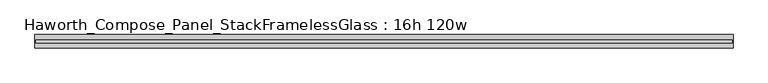
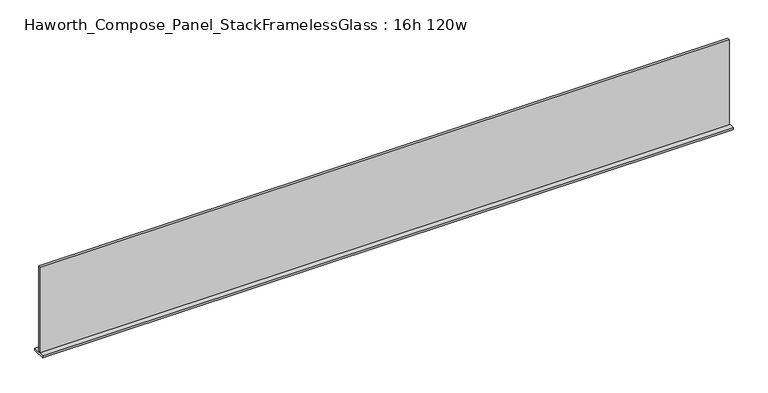
"""IFC4 building model written with IfcOpenShell, lengths in millimetres: furniture geometry, Haworth_Compose_Panel_StackFramelessGlass : 16h 120w."""

import ifcopenshell
import ifcopenshell.guid

model = None  # the IFC model being written
_history = None  # IfcOwnerHistory: only IFC2X3 demands one
_inside = {}  # id of a spatial element -> (the spatial element, [elements in it])
_under = {}  # id of a project, library or spatial element -> (it, [spatial elements below it])
_declared = {}  # id of a project -> (the project, [libraries it declares])
_typed = {}  # id of a type object -> (the type object, [elements of that type])
_made_of = {}  # id of a material, layer set ... -> (it, [elements and type objects made of it])


def new_model(schema):
    """Start an empty IFC model of exactly this schema.

    Asked for "IFC4X3", IfcOpenShell would pick the latest addendum, in which some entities
    have other attributes; the version numbers below select the first issue.
    IFC2X3 requires an IfcOwnerHistory on every rooted entity: one is made here for all.
    """
    global model, _history
    if schema == "IFC4X3":
        model = ifcopenshell.file(schema_version=(4, 3, 0, 0))
    else:
        model = ifcopenshell.file(schema=schema)
    _inside.clear()
    _under.clear()
    _declared.clear()
    _typed.clear()
    _made_of.clear()
    _history = None
    if model.schema == "IFC2X3":
        org = make("IfcOrganization", Name="unknown")
        user = make(
            "IfcPersonAndOrganization",
            ThePerson=make("IfcPerson", FamilyName="unknown"),
            TheOrganization=org,
        )
        app = make(
            "IfcApplication",
            ApplicationDeveloper=org,
            Version="unknown",
            ApplicationFullName="unknown",
            ApplicationIdentifier="unknown",
        )
        _history = make(
            "IfcOwnerHistory",
            OwningUser=user,
            OwningApplication=app,
            ChangeAction="ADDED",
            CreationDate=0,
        )
    return model


def make(cls, **values):
    """One entity of the class cls with the attributes given. An attribute that is None is left unset."""
    return model.create_entity(
        cls, **{name: value for name, value in values.items() if value is not None}
    )


def rooted(cls, **values):
    """An entity with a GlobalId (a new one), such as an element, a storey or a relation."""
    return make(cls, GlobalId=ifcopenshell.guid.new(), OwnerHistory=_history, **values)


def si_unit(unit_type, name, prefix=None):
    """IfcSIUnit, for example si_unit("LENGTHUNIT", "METRE", prefix="MILLI")."""
    return make("IfcSIUnit", UnitType=unit_type, Prefix=prefix, Name=name)


def assignment(units):
    """IfcUnitAssignment: the units of a project."""
    return None if units is None else make("IfcUnitAssignment", Units=units)


def point(xyz):
    """IfcCartesianPoint."""
    return None if xyz is None else make("IfcCartesianPoint", Coordinates=xyz)


def direction(xyz):
    """IfcDirection."""
    return None if xyz is None else make("IfcDirection", DirectionRatios=xyz)


def frame(location, z_axis=None, x_axis=None):
    """IfcAxis2Placement3D, a coordinate frame: its origin and axes. An axis left out is left unset."""
    return make(
        "IfcAxis2Placement3D",
        Location=point(location),
        Axis=direction(z_axis),
        RefDirection=direction(x_axis),
    )


def origin():
    """The frame at (0, 0, 0) with its axes left unset."""
    return frame((0.0, 0.0, 0.0))


def place(relative_to, where):
    """IfcLocalPlacement: puts the frame where relative to a parent placement (None: the world)."""
    return make(
        "IfcLocalPlacement", PlacementRelTo=relative_to, RelativePlacement=where
    )


def context(
    kind, dimensions, precision=None, world=None, true_north=None, identifier=None
):
    """IfcGeometricRepresentationContext, for example the 3D "Model" context."""
    return make(
        "IfcGeometricRepresentationContext",
        ContextIdentifier=identifier,
        ContextType=kind,
        CoordinateSpaceDimension=dimensions,
        Precision=precision,
        WorldCoordinateSystem=world,
        TrueNorth=true_north,
    )


def project(units=None, contexts=None):
    """IfcProject with its units and contexts."""
    return rooted(
        "IfcProject",
        Name="project",
        RepresentationContexts=contexts,
        UnitsInContext=assignment(units),
    )


def spatial(cls, under=None, at=None, **own):
    """A site, building, storey or space (cls), placed at a placement, below another one or the project."""
    s = rooted(cls, ObjectPlacement=at, **own)
    if under is not None:
        _under.setdefault(under.id(), (under, []))[1].append(s)
    return s


def polyline(points):
    """IfcPolyline through the points."""
    return make("IfcPolyline", Points=[point(p) for p in points])


def outline(outer, holes=None, kind="AREA"):
    """IfcArbitraryClosedProfileDef: a profile drawn as a closed curve; with holes, ...WithVoids."""
    if holes is None:
        return make("IfcArbitraryClosedProfileDef", ProfileType=kind, OuterCurve=outer)
    return make(
        "IfcArbitraryProfileDefWithVoids",
        ProfileType=kind,
        OuterCurve=outer,
        InnerCurves=holes,
    )


def extrude(swept, where, along, depth):
    """IfcExtrudedAreaSolid: the profile swept, set in the frame where, extruded along a direction by depth."""
    return make(
        "IfcExtrudedAreaSolid",
        SweptArea=swept,
        Position=where,
        ExtrudedDirection=direction(along),
        Depth=depth,
    )


def shape(context_of_items, identifier, shape_type, items):
    """IfcShapeRepresentation: the items that make up one representation, for example the "Body"."""
    return make(
        "IfcShapeRepresentation",
        ContextOfItems=context_of_items,
        RepresentationIdentifier=identifier,
        RepresentationType=shape_type,
        Items=items,
    )


def source(mapping_origin, context_of_items, identifier, shape_type, items):
    """IfcRepresentationMap: a shape defined once, which mapped items show again and again."""
    return make(
        "IfcRepresentationMap",
        MappingOrigin=mapping_origin,
        MappedRepresentation=shape(context_of_items, identifier, shape_type, items),
    )


def transform(
    local_origin,
    x_axis=None,
    y_axis=None,
    z_axis=None,
    scale=None,
    scale2=None,
    scale3=None,
    uniform=True,
):
    """IfcCartesianTransformationOperator3D, or its non-uniform kind. x_axis, y_axis, z_axis: its Axis1, 2, 3."""
    if uniform:
        return make(
            "IfcCartesianTransformationOperator3D",
            Axis1=direction(x_axis),
            Axis2=direction(y_axis),
            LocalOrigin=point(local_origin),
            Scale=scale,
            Axis3=direction(z_axis),
        )
    return make(
        "IfcCartesianTransformationOperator3DnonUniform",
        Axis1=direction(x_axis),
        Axis2=direction(y_axis),
        LocalOrigin=point(local_origin),
        Scale=scale,
        Axis3=direction(z_axis),
        Scale2=scale2,
        Scale3=scale3,
    )


def mapped(mapping_source, mapping_target):
    """IfcMappedItem: shows the shape of a source again, moved by a transform."""
    return make(
        "IfcMappedItem", MappingSource=mapping_source, MappingTarget=mapping_target
    )


def made_of(thing, what):
    """Note that an element or type object is made of a material, layer set ...; save() writes the relation."""
    if what is not None:
        _made_of.setdefault(what.id(), (what, []))[1].append(thing)
    return thing


def element(
    cls,
    number,
    at=None,
    inside=None,
    cuts=None,
    type_object=None,
    material=None,
    context=None,
    identifier="Body",
    shape_type=None,
    held_by="IfcProductDefinitionShape",
    body=None,
    shapes=None,
    **own,
):
    """One element of the class cls, such as IfcWall. Its Tag is "e" and its number.

    at: its placement. inside: the storey or other place that contains it. cuts: it is an
    opening in that element (IfcRelVoidsElement). A single representation is given by context,
    identifier, shape_type and body (its items); several are given by shapes. held_by: the class
    of the entity that holds the representations. save() writes the other relations.
    """
    e = rooted(cls, Tag="e%d" % number, ObjectPlacement=at, **own)
    if body is not None:
        shapes = [shape(context, identifier, shape_type, body)]
    if shapes is not None:
        e.Representation = make(held_by, Representations=shapes)
    if inside is not None:
        _inside.setdefault(inside.id(), (inside, []))[1].append(e)
    if cuts is not None:
        rooted(
            "IfcRelVoidsElement", RelatingBuildingElement=cuts, RelatedOpeningElement=e
        )
    if type_object is not None:
        _typed.setdefault(type_object.id(), (type_object, []))[1].append(e)
    return made_of(e, material)


def aggregate(whole, parts):
    """IfcRelAggregates: a whole, such as a stair, and the parts it consists of."""
    return rooted("IfcRelAggregates", RelatingObject=whole, RelatedObjects=parts)


def save(model, path):
    """Write the relations noted so far, then the file.

    IfcRelAggregates (storeys below a building ...), IfcRelContainedInSpatialStructure (elements
    in a storey), IfcRelDefinesByType, IfcRelAssociatesMaterial and IfcRelDeclares: one each for
    every whole, place, type object, material and project.
    """
    for whole, parts in _under.values():
        aggregate(whole, parts)
    for where, things in _inside.values():
        rooted(
            "IfcRelContainedInSpatialStructure",
            RelatedElements=things,
            RelatingStructure=where,
        )
    for kind, things in _typed.values():
        rooted("IfcRelDefinesByType", RelatedObjects=things, RelatingType=kind)
    for what, things in _made_of.values():
        rooted("IfcRelAssociatesMaterial", RelatedObjects=things, RelatingMaterial=what)
    for by, libraries in _declared.values():
        rooted("IfcRelDeclares", RelatingContext=by, RelatedDefinitions=libraries)
    model.write(path)


def haworth_compose_panel_stackframelessglass_16h_120w_72135e4e(model_context):
    return source(origin(), model_context, "Body", "SweptSolid", [
        extrude(outline(polyline([(1523.2652902, -27.3093594), (-1518.3847098, -27.3093594), (-1518.3847098, -14.6093594), (1523.2652902, -14.6093594), (1523.2652902, -27.3093594)])), frame((0.0, 0.0, 1279.525), z_axis=(0.0, 0.0, 1.0), x_axis=(1.0, 0.0, 0.0)), (0.0, 0.0, 1.0), 396.875),
        extrude(outline(polyline([(-1521.5597098, -50.3281094), (-1521.5597098, 8.4093906), (1526.4402902, 8.4093906), (1526.4402902, -50.3281094), (-1521.5597098, -50.3281094)])), frame((0.0, 0.0, 1270.0), z_axis=(0.0, 0.0, 1.0), x_axis=(1.0, 0.0, 0.0)), (0.0, 0.0, 1.0), 9.525),
    ])


if __name__ == "__main__":
    model = new_model("IFC4")
    model_context = context("Model", 3, world=origin())
    ifc_project = project(units=[si_unit("LENGTHUNIT", "METRE", prefix="MILLI")], contexts=[model_context])
    site = spatial("IfcSite", under=ifc_project)
    building = spatial("IfcBuilding", under=site)
    placement = place(None, origin())
    haworth_compose_panel_stackframelessglass_16h_120w_shape = haworth_compose_panel_stackframelessglass_16h_120w_72135e4e(model_context)
    element("IfcFurniture", 1, ObjectType="Haworth_Compose_Panel_StackFramelessGlass : 16h 120w", at=placement, inside=building, context=model_context, shape_type="MappedRepresentation", body=[
        mapped(haworth_compose_panel_stackframelessglass_16h_120w_shape, transform((0.0, 0.0, 0.0), x_axis=(1.0, 0.0, 0.0), y_axis=(0.0, 1.0, 0.0), z_axis=(0.0, 0.0, 1.0))),
    ])
    save(model, "model.ifc")
